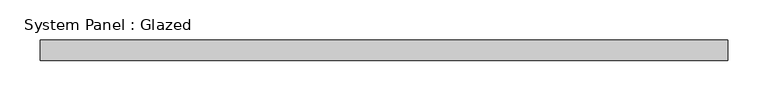
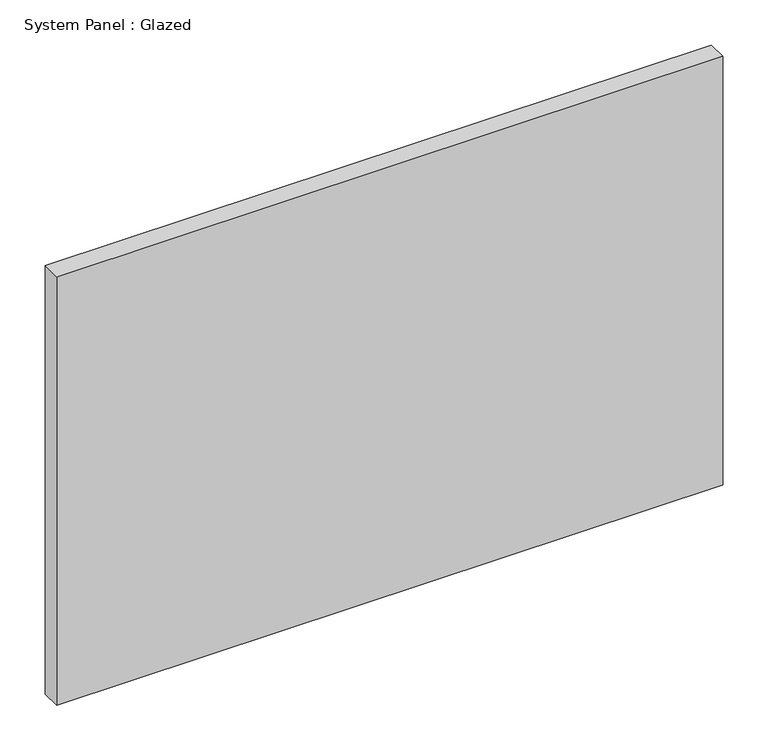
"""IFC4 building model written with IfcOpenShell, lengths in millimetres: plate geometry, System Panel : Glazed."""

from ifc_helpers import new_model, si_unit, origin, origin_with_axes, place, context, project, spatial, polyline, outline, extrude, source, transform, mapped, element, save


def system_panel_glazed_a144a5d9(model_context):
    return source(origin(), model_context, "Body", "SweptSolid", [
        extrude(outline(polyline([(425.0, -49.5), (-425.0, -49.5), (-425.0, -24.5), (425.0, -24.5), (425.0, -49.5)])), origin_with_axes(), (0.0, 0.0, 1.0), 578.3333333),
    ])


if __name__ == "__main__":
    model = new_model("IFC4")
    model_context = context("Model", 3, world=origin())
    ifc_project = project(units=[si_unit("LENGTHUNIT", "METRE", prefix="MILLI")], contexts=[model_context])
    site = spatial("IfcSite", under=ifc_project)
    building = spatial("IfcBuilding", under=site)
    placement = place(None, origin())
    system_panel_glazed_shape = system_panel_glazed_a144a5d9(model_context)
    element("IfcPlate", 1, ObjectType="System Panel : Glazed", at=placement, inside=building, context=model_context, shape_type="MappedRepresentation", body=[
        mapped(system_panel_glazed_shape, transform((0.0, 0.0, 0.0), x_axis=(1.0, 0.0, 0.0), y_axis=(0.0, 1.0, 0.0), z_axis=(0.0, 0.0, 1.0))),
    ])
    save(model, "model.ifc")
